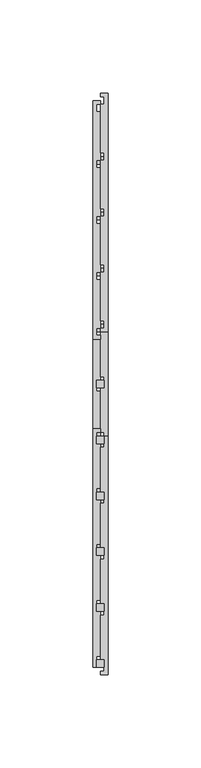
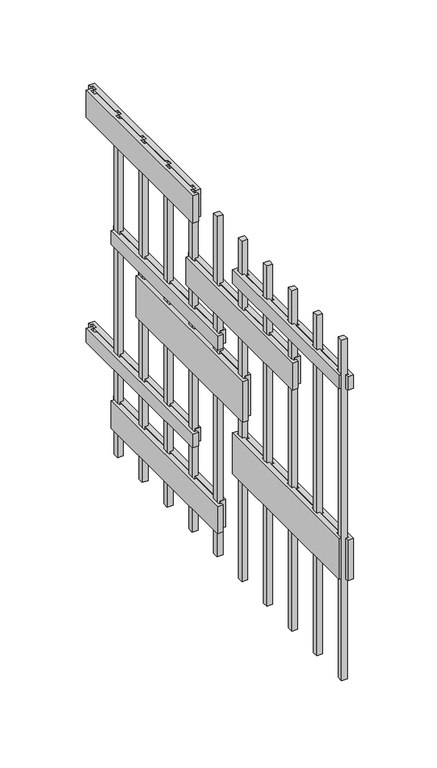
"""IFC4 building model written with IfcOpenShell, lengths in millimetres: proxy geometry."""

from ifc_helpers import new_model, si_unit, frame, origin, origin_with_axes, place, context, project, spatial, polyline, outline, extrude, source, transform, mapped, element, save


def generic_models_e9c10e0c(model_context):
    return source(origin(), model_context, "Body", "SweptSolid", [
        extrude(outline(polyline([(2.0, -242.0), (-2.0, -242.0), (-2.0, -238.0), (2.0, -238.0), (2.0, -242.0)])), origin_with_axes(), (0.0, 0.0, 1.0), 250.0),
        extrude(outline(polyline([(2.0, -272.0), (-2.0, -272.0), (-2.0, -268.0), (2.0, -268.0), (2.0, -272.0)])), origin_with_axes(), (0.0, 0.0, 1.0), 250.0),
        extrude(outline(polyline([(4.0, 36.0), (4.0, -92.0), (0.0, -92.0), (0.0, -90.0), (2.0, -90.0), (2.0, -86.0), (0.0, -86.0), (0.0, -60.0), (2.0, -60.0), (2.0, -56.0), (0.0, -56.0), (0.0, -30.0), (2.0, -30.0), (2.0, -26.0), (0.0, -26.0), (0.0, 0.0), (2.0, 0.0), (2.0, 4.0), (0.0, 4.0), (0.0, 30.0), (2.0, 30.0), (2.0, 34.0), (0.0, 34.0), (0.0, 36.0), (4.0, 36.0)])), frame((0.0, 0.0, 65.0), z_axis=(0.0, 0.0, 1.0), x_axis=(1.0, 0.0, 0.0)), (0.0, 0.0, 1.0), 10.0),
        extrude(outline(polyline([(4.0, 6.0), (4.0, -122.0), (0.0, -122.0), (0.0, -120.0), (2.0, -120.0), (2.0, -116.0), (0.0, -116.0), (0.0, -90.0), (2.0, -90.0), (2.0, -86.0), (0.0, -86.0), (0.0, -60.0), (2.0, -60.0), (2.0, -56.0), (0.0, -56.0), (0.0, -30.0), (2.0, -30.0), (2.0, -26.0), (0.0, -26.0), (0.0, 0.0), (2.0, 0.0), (2.0, 4.0), (0.0, 4.0), (0.0, 6.0), (4.0, 6.0)])), frame((0.0, 0.0, 20.0), z_axis=(0.0, 0.0, 1.0), x_axis=(1.0, 0.0, 0.0)), (0.0, 0.0, 1.0), 20.0),
        extrude(outline(polyline([(4.0, -148.0), (4.0, -276.0), (0.0, -276.0), (0.0, -274.0), (2.0, -274.0), (2.0, -270.0), (0.0, -270.0), (0.0, -244.0), (2.0, -244.0), (2.0, -240.0), (0.0, -240.0), (0.0, -214.0), (2.0, -214.0), (2.0, -210.0), (0.0, -210.0), (0.0, -184.0), (2.0, -184.0), (2.0, -180.0), (0.0, -180.0), (0.0, -154.0), (2.0, -154.0), (2.0, -150.0), (0.0, -150.0), (0.0, -148.0), (4.0, -148.0)])), frame((0.0, 0.0, 75.0), z_axis=(0.0, 0.0, 1.0), x_axis=(1.0, 0.0, 0.0)), (0.0, 0.0, 1.0), 30.0),
        extrude(outline(polyline([(4.0, -24.0), (4.0, -152.0), (0.0, -152.0), (0.0, -150.0), (2.0, -150.0), (2.0, -146.0), (0.0, -146.0), (0.0, -120.0), (2.0, -120.0), (2.0, -116.0), (0.0, -116.0), (0.0, -90.0), (2.0, -90.0), (2.0, -86.0), (0.0, -86.0), (0.0, -60.0), (2.0, -60.0), (2.0, -56.0), (0.0, -56.0), (0.0, -30.0), (2.0, -30.0), (2.0, -26.0), (0.0, -26.0), (0.0, -24.0), (4.0, -24.0)])), frame((0.0, 0.0, 120.0), z_axis=(0.0, 0.0, 1.0), x_axis=(1.0, 0.0, 0.0)), (0.0, 0.0, 1.0), 30.0),
        extrude(outline(polyline([(4.0, 6.0), (4.0, -122.0), (0.0, -122.0), (0.0, -120.0), (2.0, -120.0), (2.0, -116.0), (0.0, -116.0), (0.0, -90.0), (2.0, -90.0), (2.0, -86.0), (0.0, -86.0), (0.0, -60.0), (2.0, -60.0), (2.0, -56.0), (0.0, -56.0), (0.0, -30.0), (2.0, -30.0), (2.0, -26.0), (0.0, -26.0), (0.0, 0.0), (2.0, 0.0), (2.0, 4.0), (0.0, 4.0), (0.0, 6.0), (4.0, 6.0)])), frame((0.0, 0.0, 155.0), z_axis=(0.0, 0.0, 1.0), x_axis=(1.0, 0.0, 0.0)), (0.0, 0.0, 1.0), 10.0),
        extrude(outline(polyline([(4.0, -84.0), (4.0, -212.0), (0.0, -212.0), (0.0, -210.0), (2.0, -210.0), (2.0, -206.0), (0.0, -206.0), (0.0, -180.0), (2.0, -180.0), (2.0, -176.0), (0.0, -176.0), (0.0, -150.0), (2.0, -150.0), (2.0, -146.0), (0.0, -146.0), (0.0, -120.0), (2.0, -120.0), (2.0, -116.0), (0.0, -116.0), (0.0, -90.0), (2.0, -90.0), (2.0, -86.0), (0.0, -86.0), (0.0, -84.0), (4.0, -84.0)])), frame((0.0, 0.0, 180.0), z_axis=(0.0, 0.0, 1.0), x_axis=(1.0, 0.0, 0.0)), (0.0, 0.0, 1.0), 20.0),
        extrude(outline(polyline([(4.0, -148.0), (4.0, -276.0), (0.0, -276.0), (0.0, -274.0), (2.0, -274.0), (2.0, -270.0), (0.0, -270.0), (0.0, -244.0), (2.0, -244.0), (2.0, -240.0), (0.0, -240.0), (0.0, -214.0), (2.0, -214.0), (2.0, -210.0), (0.0, -210.0), (0.0, -184.0), (2.0, -184.0), (2.0, -180.0), (0.0, -180.0), (0.0, -154.0), (2.0, -154.0), (2.0, -150.0), (0.0, -150.0), (0.0, -148.0), (4.0, -148.0)])), frame((0.0, 0.0, 215.0), z_axis=(0.0, 0.0, 1.0), x_axis=(1.0, 0.0, 0.0)), (0.0, 0.0, 1.0), 10.0),
        extrude(outline(polyline([(4.0, 36.0), (4.0, -92.0), (0.0, -92.0), (0.0, -90.0), (2.0, -90.0), (2.0, -86.0), (0.0, -86.0), (0.0, -60.0), (2.0, -60.0), (2.0, -56.0), (0.0, -56.0), (0.0, -30.0), (2.0, -30.0), (2.0, -26.0), (0.0, -26.0), (0.0, 0.0), (2.0, 0.0), (2.0, 4.0), (0.0, 4.0), (0.0, 30.0), (2.0, 30.0), (2.0, 34.0), (0.0, 34.0), (0.0, 36.0), (4.0, 36.0)])), frame((0.0, 0.0, 230.0), z_axis=(0.0, 0.0, 1.0), x_axis=(1.0, 0.0, 0.0)), (0.0, 0.0, 1.0), 20.0),
        extrude(outline(polyline([(-4.0, -272.0), (-4.0, -144.0), (0.0, -144.0), (0.0, -146.0), (-2.0, -146.0), (-2.0, -150.0), (0.0, -150.0), (0.0, -176.0), (-2.0, -176.0), (-2.0, -180.0), (0.0, -180.0), (0.0, -206.0), (-2.0, -206.0), (-2.0, -210.0), (0.0, -210.0), (0.0, -236.0), (-2.0, -236.0), (-2.0, -240.0), (0.0, -240.0), (0.0, -266.0), (-2.0, -266.0), (-2.0, -270.0), (0.0, -270.0), (0.0, -272.0), (-4.0, -272.0)])), frame((0.0, 0.0, 215.0), z_axis=(0.0, 0.0, 1.0), x_axis=(1.0, 0.0, 0.0)), (0.0, 0.0, 1.0), 10.0),
        extrude(outline(polyline([(-4.0, -272.0), (-4.0, -144.0), (0.0, -144.0), (0.0, -146.0), (-2.0, -146.0), (-2.0, -150.0), (0.0, -150.0), (0.0, -176.0), (-2.0, -176.0), (-2.0, -180.0), (0.0, -180.0), (0.0, -206.0), (-2.0, -206.0), (-2.0, -210.0), (0.0, -210.0), (0.0, -236.0), (-2.0, -236.0), (-2.0, -240.0), (0.0, -240.0), (0.0, -266.0), (-2.0, -266.0), (-2.0, -270.0), (0.0, -270.0), (0.0, -272.0), (-4.0, -272.0)])), frame((0.0, 0.0, 75.0), z_axis=(0.0, 0.0, 1.0), x_axis=(1.0, 0.0, 0.0)), (0.0, 0.0, 1.0), 30.0),
        extrude(outline(polyline([(-4.0, -96.0), (-4.0, 32.0), (0.0, 32.0), (0.0, 30.0), (-2.0, 30.0), (-2.0, 26.0), (0.0, 26.0), (0.0, 0.0), (-2.0, 0.0), (-2.0, -4.0), (0.0, -4.0), (0.0, -30.0), (-2.0, -30.0), (-2.0, -34.0), (0.0, -34.0), (0.0, -60.0), (-2.0, -60.0), (-2.0, -64.0), (0.0, -64.0), (0.0, -90.0), (-2.0, -90.0), (-2.0, -94.0), (0.0, -94.0), (0.0, -96.0), (-4.0, -96.0)])), frame((0.0, 0.0, 230.0), z_axis=(0.0, 0.0, 1.0), x_axis=(1.0, 0.0, 0.0)), (0.0, 0.0, 1.0), 20.0),
        extrude(outline(polyline([(2.0, -212.0), (-2.0, -212.0), (-2.0, -208.0), (2.0, -208.0), (2.0, -212.0)])), origin_with_axes(), (0.0, 0.0, 1.0), 250.0),
        extrude(outline(polyline([(2.0, -182.0), (-2.0, -182.0), (-2.0, -178.0), (2.0, -178.0), (2.0, -182.0)])), origin_with_axes(), (0.0, 0.0, 1.0), 250.0),
        extrude(outline(polyline([(-4.0, -216.0), (-4.0, -88.0), (0.0, -88.0), (0.0, -90.0), (-2.0, -90.0), (-2.0, -94.0), (0.0, -94.0), (0.0, -120.0), (-2.0, -120.0), (-2.0, -124.0), (0.0, -124.0), (0.0, -150.0), (-2.0, -150.0), (-2.0, -154.0), (0.0, -154.0), (0.0, -180.0), (-2.0, -180.0), (-2.0, -184.0), (0.0, -184.0), (0.0, -210.0), (-2.0, -210.0), (-2.0, -214.0), (0.0, -214.0), (0.0, -216.0), (-4.0, -216.0)])), frame((0.0, 0.0, 180.0), z_axis=(0.0, 0.0, 1.0), x_axis=(1.0, 0.0, 0.0)), (0.0, 0.0, 1.0), 20.0),
        extrude(outline(polyline([(-4.0, -96.0), (-4.0, 32.0), (0.0, 32.0), (0.0, 30.0), (-2.0, 30.0), (-2.0, 26.0), (0.0, 26.0), (0.0, 0.0), (-2.0, 0.0), (-2.0, -4.0), (0.0, -4.0), (0.0, -30.0), (-2.0, -30.0), (-2.0, -34.0), (0.0, -34.0), (0.0, -60.0), (-2.0, -60.0), (-2.0, -64.0), (0.0, -64.0), (0.0, -90.0), (-2.0, -90.0), (-2.0, -94.0), (0.0, -94.0), (0.0, -96.0), (-4.0, -96.0)])), frame((0.0, 0.0, 65.0), z_axis=(0.0, 0.0, 1.0), x_axis=(1.0, 0.0, 0.0)), (0.0, 0.0, 1.0), 10.0),
        extrude(outline(polyline([(-4.0, -126.0), (-4.0, 2.0), (0.0, 2.0), (0.0, 0.0), (-2.0, 0.0), (-2.0, -4.0), (0.0, -4.0), (0.0, -30.0), (-2.0, -30.0), (-2.0, -34.0), (0.0, -34.0), (0.0, -60.0), (-2.0, -60.0), (-2.0, -64.0), (0.0, -64.0), (0.0, -90.0), (-2.0, -90.0), (-2.0, -94.0), (0.0, -94.0), (0.0, -120.0), (-2.0, -120.0), (-2.0, -124.0), (0.0, -124.0), (0.0, -126.0), (-4.0, -126.0)])), frame((0.0, 0.0, 20.0), z_axis=(0.0, 0.0, 1.0), x_axis=(1.0, 0.0, 0.0)), (0.0, 0.0, 1.0), 20.0),
        extrude(outline(polyline([(-4.0, -156.0), (-4.0, -28.0), (0.0, -28.0), (0.0, -30.0), (-2.0, -30.0), (-2.0, -34.0), (0.0, -34.0), (0.0, -60.0), (-2.0, -60.0), (-2.0, -64.0), (0.0, -64.0), (0.0, -90.0), (-2.0, -90.0), (-2.0, -94.0), (0.0, -94.0), (0.0, -120.0), (-2.0, -120.0), (-2.0, -124.0), (0.0, -124.0), (0.0, -150.0), (-2.0, -150.0), (-2.0, -154.0), (0.0, -154.0), (0.0, -156.0), (-4.0, -156.0)])), frame((0.0, 0.0, 120.0), z_axis=(0.0, 0.0, 1.0), x_axis=(1.0, 0.0, 0.0)), (0.0, 0.0, 1.0), 30.0),
        extrude(outline(polyline([(-4.0, -126.0), (-4.0, 2.0), (0.0, 2.0), (0.0, 0.0), (-2.0, 0.0), (-2.0, -4.0), (0.0, -4.0), (0.0, -30.0), (-2.0, -30.0), (-2.0, -34.0), (0.0, -34.0), (0.0, -60.0), (-2.0, -60.0), (-2.0, -64.0), (0.0, -64.0), (0.0, -90.0), (-2.0, -90.0), (-2.0, -94.0), (0.0, -94.0), (0.0, -120.0), (-2.0, -120.0), (-2.0, -124.0), (0.0, -124.0), (0.0, -126.0), (-4.0, -126.0)])), frame((0.0, 0.0, 155.0), z_axis=(0.0, 0.0, 1.0), x_axis=(1.0, 0.0, 0.0)), (0.0, 0.0, 1.0), 10.0),
        extrude(outline(polyline([(2.0, -148.0), (2.0, -152.0), (-2.0, -152.0), (-2.0, -148.0), (2.0, -148.0)])), origin_with_axes(), (0.0, 0.0, 1.0), 250.0),
        extrude(outline(polyline([(2.0, -118.0), (2.0, -122.0), (-2.0, -122.0), (-2.0, -118.0), (2.0, -118.0)])), origin_with_axes(), (0.0, 0.0, 1.0), 250.0),
        extrude(outline(polyline([(2.0, -88.0), (2.0, -92.0), (-2.0, -92.0), (-2.0, -88.0), (2.0, -88.0)])), origin_with_axes(), (0.0, 0.0, 1.0), 250.0),
        extrude(outline(polyline([(2.0, -58.0), (2.0, -62.0), (-2.0, -62.0), (-2.0, -58.0), (2.0, -58.0)])), origin_with_axes(), (0.0, 0.0, 1.0), 250.0),
        extrude(outline(polyline([(2.0, -28.0), (2.0, -32.0), (-2.0, -32.0), (-2.0, -28.0), (2.0, -28.0)])), origin_with_axes(), (0.0, 0.0, 1.0), 250.0),
        extrude(outline(polyline([(2.0, 2.0), (2.0, -2.0), (-2.0, -2.0), (-2.0, 2.0), (2.0, 2.0)])), origin_with_axes(), (0.0, 0.0, 1.0), 250.0),
    ])


if __name__ == "__main__":
    model = new_model("IFC4")
    model_context = context("Model", 3, world=origin())
    ifc_project = project(units=[si_unit("LENGTHUNIT", "METRE", prefix="MILLI")], contexts=[model_context])
    site = spatial("IfcSite", under=ifc_project)
    building = spatial("IfcBuilding", under=site)
    placement = place(None, origin())
    generic_models_shape = generic_models_e9c10e0c(model_context)
    element("IfcBuildingElementProxy", 1, Name="Generic Models", at=placement, inside=building, context=model_context, shape_type="MappedRepresentation", body=[
        mapped(generic_models_shape, transform((0.0, 0.0, 0.0), x_axis=(1.0, 0.0, 0.0), y_axis=(0.0, 1.0, 0.0), z_axis=(0.0, 0.0, 1.0))),
    ])
    save(model, "model.ifc")
